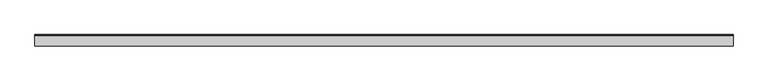
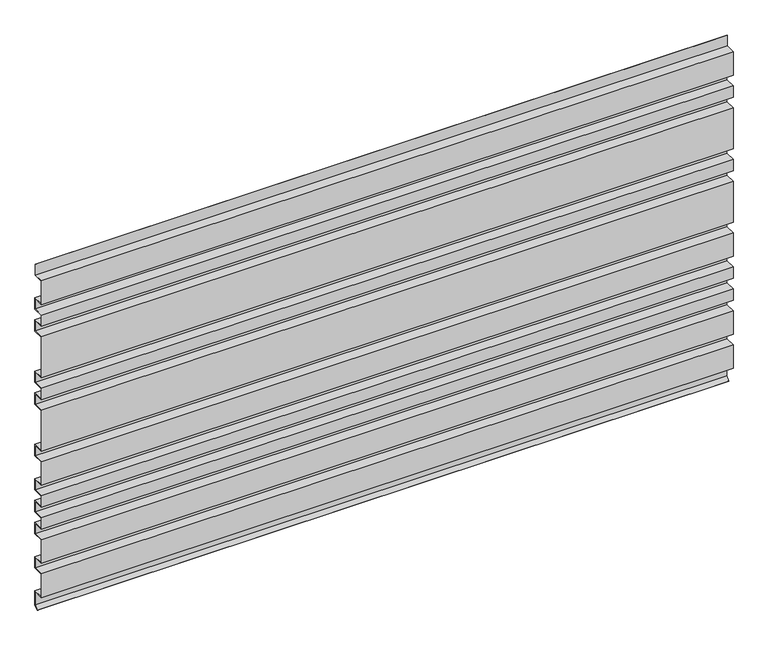
"""IFC4 building model written with IfcOpenShell, lengths in millimetres: plate geometry."""

from ifc_helpers import new_model, si_unit, frame, origin, place, context, project, spatial, polyline, outline, extrude, source, transform, mapped, element, save


def plate_bc78e0d9(model_context):
    return source(origin(), model_context, "Body", "SweptSolid", [
        extrude(outline(polyline([(23.0, 791.0), (23.0, 816.0), (24.0, 816.0), (24.0, 790.0), (1.0, 790.0), (1.0, 736.0), (25.0, 736.0), (25.0, 709.0), (1.0, 709.0), (1.0, 684.0), (25.0, 684.0), (25.0, 657.0), (1.0, 657.0), (1.0, 562.0), (25.0, 562.0), (25.0, 535.0), (1.0, 535.0), (1.0, 510.0), (25.0, 510.0), (25.0, 483.0), (1.0, 483.0), (1.0, 388.0), (25.0, 388.0), (25.0, 361.0), (1.0, 361.0), (1.0, 307.0), (25.0, 307.0), (25.0, 280.0), (1.0, 280.0), (1.0, 255.0), (25.0, 255.0), (25.0, 228.0), (1.0, 228.0), (1.0, 203.0), (25.0, 203.0), (25.0, 176.0), (1.0, 176.0), (1.0, 122.0), (25.0, 122.0), (25.0, 95.0), (1.0, 95.0), (1.0, 41.0), (25.0, 41.0), (25.0, 7.5852005), (16.6903838, -0.7078135), (15.9839845, 0.0), (24.0, 8.0), (24.0, 40.0), (0.0, 40.0), (0.0, 96.0), (24.0, 96.0), (24.0, 121.0), (0.0, 121.0), (0.0, 177.0), (24.0, 177.0), (24.0, 202.0), (0.0, 202.0), (0.0, 229.0), (24.0, 229.0), (24.0, 254.0), (0.0, 254.0), (0.0, 281.0), (24.0, 281.0), (24.0, 306.0), (0.0, 306.0), (0.0, 362.0), (24.0, 362.0), (24.0, 387.0), (0.0, 387.0), (0.0, 484.0), (24.0, 484.0), (24.0, 509.0), (0.0, 509.0), (0.0, 536.0), (24.0, 536.0), (24.0, 561.0), (0.0, 561.0), (0.0, 658.0), (24.0, 658.0), (24.0, 683.0), (0.0, 683.0), (0.0, 710.0), (24.0, 710.0), (24.0, 735.0), (0.0, 735.0), (0.0, 791.0), (23.0, 791.0)])), frame((-776.0, 0.0, 0.0), z_axis=(1.0, 0.0, 0.0), x_axis=(0.0, 1.0, 0.0)), (0.0, 0.0, 1.0), 1552.0),
    ])


if __name__ == "__main__":
    model = new_model("IFC4")
    model_context = context("Model", 3, world=origin())
    ifc_project = project(units=[si_unit("LENGTHUNIT", "METRE", prefix="MILLI")], contexts=[model_context])
    site = spatial("IfcSite", under=ifc_project)
    building = spatial("IfcBuilding", under=site)
    placement = place(None, origin())
    plate_shape = plate_bc78e0d9(model_context)
    element("IfcPlate", 1, at=placement, inside=building, context=model_context, shape_type="MappedRepresentation", body=[
        mapped(plate_shape, transform((0.0, 0.0, 0.0), x_axis=(1.0, 0.0, 0.0), y_axis=(0.0, 1.0, 0.0), z_axis=(0.0, 0.0, 1.0))),
    ])
    save(model, "model.ifc")
